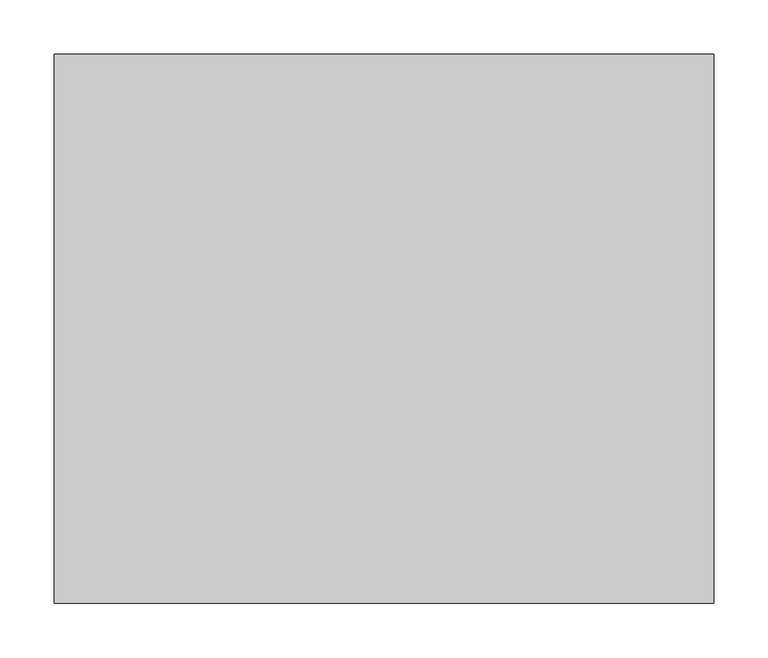
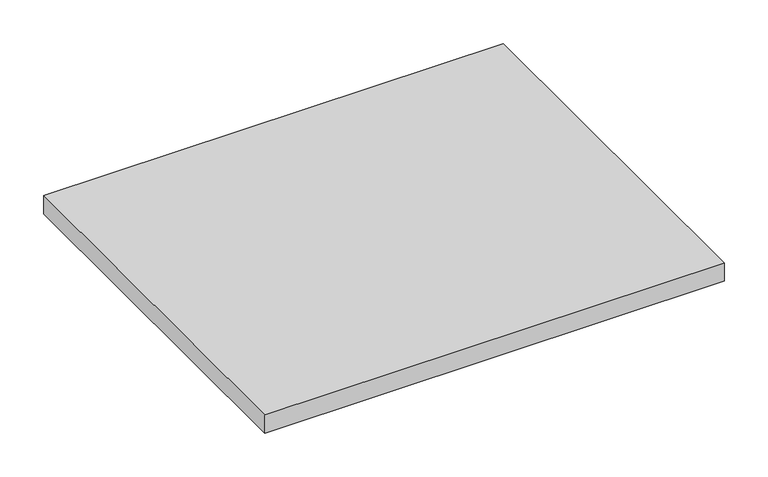
"""IFC4 building model written with IfcOpenShell, lengths in millimetres: furniture geometry."""

from ifc_helpers import new_model, si_unit, frame, origin, place, context, project, spatial, polyline, outline, extrude, source, transform, mapped, element, save


def furniture_c59188b4(model_context):
    return source(origin(), model_context, "Body", "SweptSolid", [
        extrude(outline(polyline([(607.9998, -548.7539634), (607.9998, -1053.7059634), (1.6002, -1053.7059634), (1.6002, -548.7539634), (607.9998, -548.7539634)])), frame((0.0, 0.0, 564.642), z_axis=(0.0, 0.0, 1.0), x_axis=(1.0, 0.0, 0.0)), (0.0, 0.0, 1.0), 25.4),
    ])


if __name__ == "__main__":
    model = new_model("IFC4")
    model_context = context("Model", 3, world=origin())
    ifc_project = project(units=[si_unit("LENGTHUNIT", "METRE", prefix="MILLI")], contexts=[model_context])
    site = spatial("IfcSite", under=ifc_project)
    building = spatial("IfcBuilding", under=site)
    placement = place(None, origin())
    furniture_shape = furniture_c59188b4(model_context)
    element("IfcFurniture", 1, at=placement, inside=building, context=model_context, shape_type="MappedRepresentation", body=[
        mapped(furniture_shape, transform((0.0, 0.0, 0.0), x_axis=(1.0, 0.0, 0.0), y_axis=(0.0, 1.0, 0.0), z_axis=(0.0, 0.0, 1.0))),
    ])
    save(model, "model.ifc")
